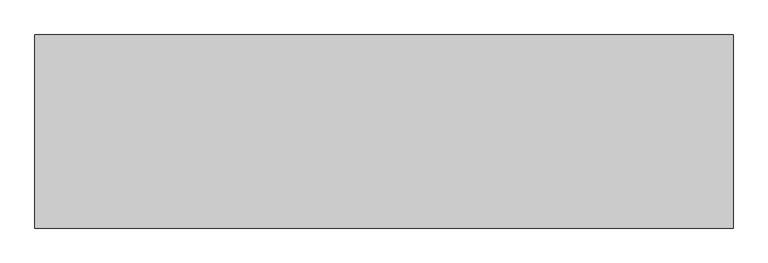
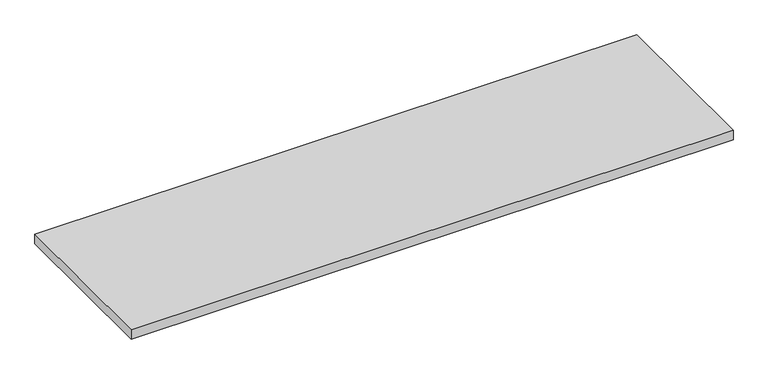
"""IFC4 building model written with IfcOpenShell, lengths in millimetres: furniture geometry."""

from ifc_helpers import new_model, si_unit, frame, origin, place, context, project, spatial, polyline, outline, extrude, source, transform, mapped, element, save


def furniture_ab37c46a(model_context):
    return source(origin(), model_context, "Body", "SweptSolid", [
        extrude(outline(polyline([(1065.276, 833.501), (1065.276, 328.549), (-760.476, 328.549), (-760.476, 833.501), (1065.276, 833.501)])), frame((0.0, 0.0, 922.909), z_axis=(0.0, 0.0, 1.0), x_axis=(1.0, 0.0, 0.0)), (0.0, 0.0, 1.0), 29.591),
    ])


if __name__ == "__main__":
    model = new_model("IFC4")
    model_context = context("Model", 3, world=origin())
    ifc_project = project(units=[si_unit("LENGTHUNIT", "METRE", prefix="MILLI")], contexts=[model_context])
    site = spatial("IfcSite", under=ifc_project)
    building = spatial("IfcBuilding", under=site)
    placement = place(None, origin())
    furniture_shape = furniture_ab37c46a(model_context)
    element("IfcFurniture", 1, at=placement, inside=building, context=model_context, shape_type="MappedRepresentation", body=[
        mapped(furniture_shape, transform((0.0, 0.0, 0.0), x_axis=(1.0, 0.0, 0.0), y_axis=(0.0, 1.0, 0.0), z_axis=(0.0, 0.0, 1.0))),
    ])
    save(model, "model.ifc")
